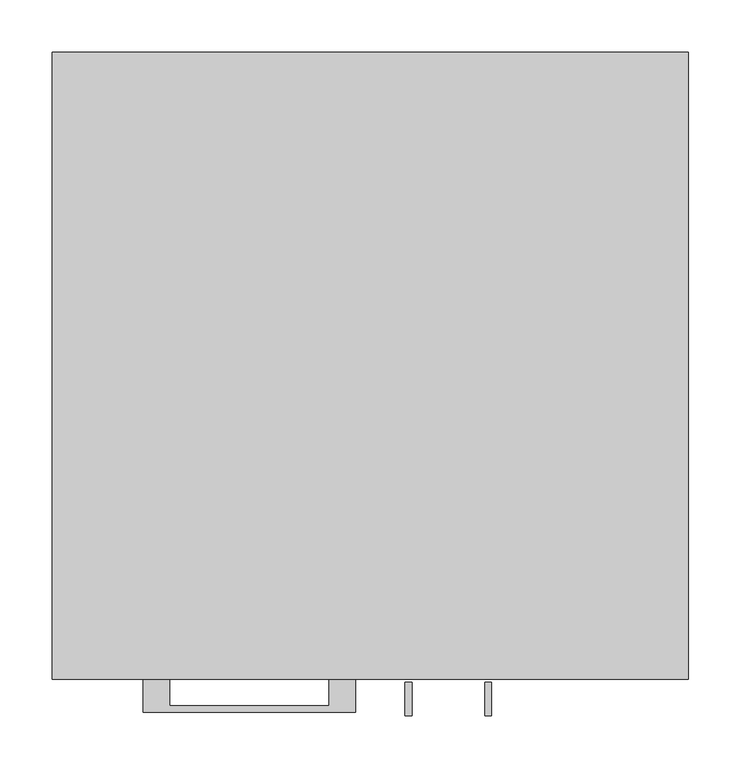
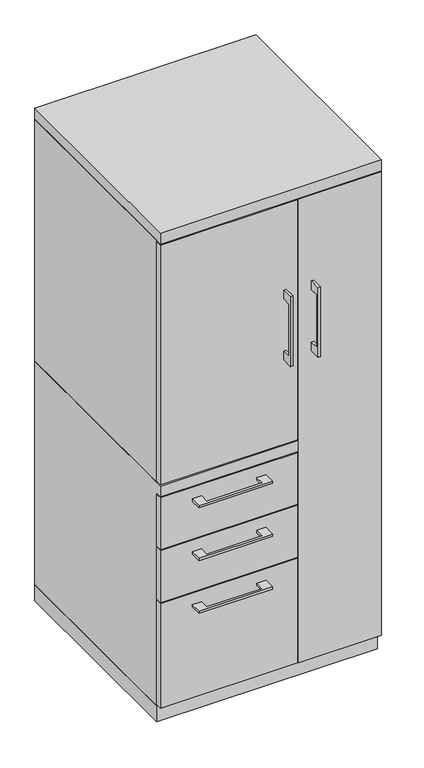
"""IFC4 building model written with IfcOpenShell, lengths in millimetres: furniture geometry."""

from ifc_helpers import new_model, si_unit, frame, origin, origin_with_axes, place, context, project, spatial, polyline, outline, extrude, faceted_brep, source, transform, mapped, element, save


def furniture_32e8dde5(model_context):
    return source(origin(), model_context, "Body", "SolidModel", [
        extrude(outline(polyline([(-603.25, 1127.125), (-628.6499758, 1127.125), (-628.6499758, 974.725), (-603.25, 974.725), (-603.25, 949.325), (-634.9999879, 949.325), (-634.9999879, 1152.525), (-603.25, 1152.525), (-603.25, 1127.125)])), frame((33.3375121, 0.0, 0.0), z_axis=(1.0, 0.0, 0.0), x_axis=(0.0, 1.0, 0.0)), (0.0, 0.0, 1.0), 6.3499758),
        extrude(outline(polyline([(-304.8, -600.075), (-304.8, -581.025), (73.025, -581.025), (73.025, -600.075), (-304.8, -600.075)])), frame((0.0, 0.0, 701.675), z_axis=(0.0, 0.0, 1.0), x_axis=(1.0, 0.0, 0.0)), (0.0, 0.0, 1.0), 698.5),
        extrude(outline(polyline([(-192.0874818, -600.075), (-192.0874818, -625.4749758), (-39.6875, -625.4749758), (-39.6875, -600.075), (-14.2875061, -600.075), (-14.2875061, -631.8249879), (-217.4874939, -631.8249879), (-217.4874939, -600.075), (-192.0874818, -600.075)])), frame((0.0, 0.0, 623.8875506), z_axis=(0.0, 0.0, 1.0), x_axis=(1.0, 0.0, 0.0)), (0.0, 0.0, 1.0), 6.3499758),
        extrude(outline(polyline([(73.025, -581.025), (73.025, -600.075), (-304.8, -600.075), (-304.8, -581.025), (73.025, -581.025)])), frame((0.0, 0.0, 512.7625), z_axis=(0.0, 0.0, 1.0), x_axis=(1.0, 0.0, 0.0)), (0.0, 0.0, 1.0), 150.8125),
        extrude(outline(polyline([(-192.0874818, -600.075), (-192.0874818, -625.4749758), (-39.6875, -625.4749758), (-39.6875, -600.075), (-14.2875061, -600.075), (-14.2875061, -631.8249879), (-217.4874939, -631.8249879), (-217.4874939, -600.075), (-192.0874818, -600.075)])), frame((0.0, 0.0, 469.9000506), z_axis=(0.0, 0.0, 1.0), x_axis=(1.0, 0.0, 0.0)), (0.0, 0.0, 1.0), 6.3499758),
        extrude(outline(polyline([(73.025, -581.025), (73.025, -600.075), (-304.8, -600.075), (-304.8, -581.025), (73.025, -581.025)])), frame((0.0, 0.0, 358.775), z_axis=(0.0, 0.0, 1.0), x_axis=(1.0, 0.0, 0.0)), (0.0, 0.0, 1.0), 150.8125),
        extrude(outline(polyline([(-603.25, 1127.125), (-628.6499758, 1127.125), (-628.6499758, 974.725), (-603.25, 974.725), (-603.25, 949.325), (-634.9999879, 949.325), (-634.9999879, 1152.525), (-603.25, 1152.525), (-603.25, 1127.125)])), frame((109.5375121, 0.0, 0.0), z_axis=(1.0, 0.0, 0.0), x_axis=(0.0, 1.0, 0.0)), (0.0, 0.0, 1.0), 6.3499758),
        extrude(outline(polyline([(304.8, -600.075), (76.2, -600.075), (76.2, -581.025), (304.8, -581.025), (304.8, -600.075)])), frame((0.0, 0.0, 50.8), z_axis=(0.0, 0.0, 1.0), x_axis=(1.0, 0.0, 0.0)), (0.0, 0.0, 1.0), 1349.375),
        extrude(outline(polyline([(-192.0874818, -600.075), (-192.0874818, -625.4749758), (-39.6875, -625.4749758), (-39.6875, -600.075), (-14.2875061, -600.075), (-14.2875061, -631.8249879), (-217.4874939, -631.8249879), (-217.4874939, -600.075), (-192.0874818, -600.075)])), frame((0.0, 0.0, 315.9125506), z_axis=(0.0, 0.0, 1.0), x_axis=(1.0, 0.0, 0.0)), (0.0, 0.0, 1.0), 6.3499758),
        extrude(outline(polyline([(73.025, -581.025), (73.025, -600.075), (-304.8, -600.075), (-304.8, -581.025), (73.025, -581.025)])), frame((0.0, 0.0, 50.8), z_axis=(0.0, 0.0, 1.0), x_axis=(1.0, 0.0, 0.0)), (0.0, 0.0, 1.0), 304.8),
        faceted_brep([(-304.8, -581.025, 47.625), (-304.8, 0.0, 47.625), (76.2, 0.0, 47.625), (76.2, -581.025, 47.625), (-304.8, 0.0, 698.5), (76.2, 0.0, 698.5), (-304.8, -581.025, 666.75), (-304.8, -600.075, 666.75), (-304.8, -600.075, 698.5), (76.2, -581.025, 666.75), (57.15, -581.025, 666.75), (76.2, -581.025, 1403.35), (57.15, -581.025, 1403.35), (57.15, -581.025, 698.5), (76.2, -581.025, 698.5), (76.2, -19.05, 698.5), (76.2, -19.05, 1403.35), (76.2, -600.075, 698.5), (76.2, -600.075, 666.75), (57.15, -19.05, 1403.35), (57.15, -19.05, 698.5)], [[[0, 1, 2, 3]], [[2, 1, 4, 5]], [[4, 1, 0, 6, 7, 8]], [[6, 0, 3, 9, 10]], [[11, 12, 13, 14]], [[2, 5, 15, 16, 11, 14, 17, 18, 9, 3]], [[16, 19, 12, 11]], [[19, 16, 15, 20]], [[12, 19, 20, 13]], [[5, 4, 8, 17, 14, 13, 20, 15]], [[18, 7, 6, 10, 9]], [[17, 8, 7, 18]]]),
        extrude(outline(polyline([(76.2, 0.0), (76.2, -19.05), (-285.75, -19.05), (-285.75, -581.025), (-304.8, -581.025), (-304.8, 0.0), (76.2, 0.0)])), frame((0.0, 0.0, 698.5), z_axis=(0.0, 0.0, 1.0), x_axis=(1.0, 0.0, 0.0)), (0.0, 0.0, 1.0), 704.85),
        extrude(outline(polyline([(304.8, 0.0), (304.8, -581.025), (285.75, -581.025), (285.75, -19.05), (76.2, -19.05), (76.2, 0.0), (304.8, 0.0)])), frame((0.0, 0.0, 47.625), z_axis=(0.0, 0.0, 1.0), x_axis=(1.0, 0.0, 0.0)), (0.0, 0.0, 1.0), 1355.725),
        extrude(outline(polyline([(304.8, 0.0), (304.8, -600.075), (-304.8, -600.075), (-304.8, 0.0), (304.8, 0.0)])), frame((0.0, 0.0, 1403.35), z_axis=(0.0, 0.0, 1.0), x_axis=(1.0, 0.0, 0.0)), (0.0, 0.0, 1.0), 31.75),
        extrude(outline(polyline([(304.8, 0.0), (304.8, -581.025), (-304.8, -581.025), (-304.8, 0.0), (304.8, 0.0)])), origin_with_axes(), (0.0, 0.0, 1.0), 47.625),
    ])


if __name__ == "__main__":
    model = new_model("IFC4")
    model_context = context("Model", 3, world=origin())
    ifc_project = project(units=[si_unit("LENGTHUNIT", "METRE", prefix="MILLI")], contexts=[model_context])
    site = spatial("IfcSite", under=ifc_project)
    building = spatial("IfcBuilding", under=site)
    placement = place(None, origin())
    furniture_shape = furniture_32e8dde5(model_context)
    element("IfcFurniture", 1, at=placement, inside=building, context=model_context, shape_type="MappedRepresentation", body=[
        mapped(furniture_shape, transform((0.0, 0.0, 0.0), x_axis=(1.0, 0.0, 0.0), y_axis=(0.0, 1.0, 0.0), z_axis=(0.0, 0.0, 1.0))),
    ])
    save(model, "model.ifc")
